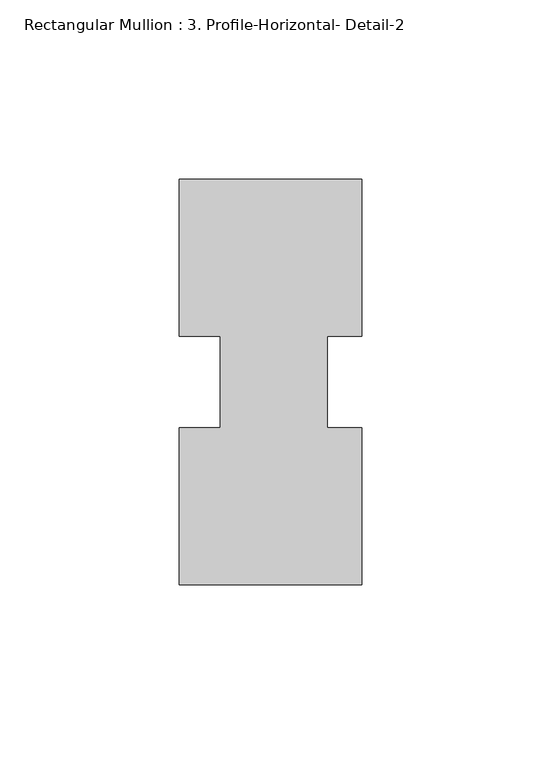
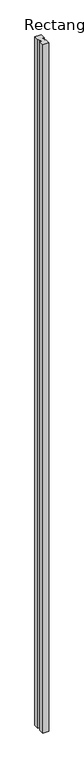
"""IFC4 building model written with IfcOpenShell, lengths in millimetres: member geometry, Rectangular Mullion : 3. Profile-Horizontal- Detail-2."""

from ifc_helpers import new_model, si_unit, frame, origin, place, context, project, spatial, polyline, outline, extrude, source, transform, mapped, element, save


def rectangular_mullion_3_profile_horizontal_detail_2_3d9aba59(model_context):
    return source(origin(), model_context, "Body", "SweptSolid", [
        extrude(outline(polyline([(26.3535083, -10.9775375), (16.8412083, -10.9775375), (16.8412083, -36.4652359), (26.3535083, -36.4652359), (26.3535083, -80.2505697), (-24.4464917, -80.2505698), (-24.4464917, -36.4652359), (-13.0931361, -36.4652359), (-13.0931361, -10.9775375), (-24.4274417, -10.9775375), (-24.4274417, 32.8302302), (26.3535083, 32.8302303), (26.3535083, -10.9775375)])), frame((0.0, 0.0, -6000.75), z_axis=(0.0, 0.0, 1.0), x_axis=(1.0, 0.0, 0.0)), (0.0, 0.0, 1.0), 6000.75),
    ])


if __name__ == "__main__":
    model = new_model("IFC4")
    model_context = context("Model", 3, world=origin())
    ifc_project = project(units=[si_unit("LENGTHUNIT", "METRE", prefix="MILLI")], contexts=[model_context])
    site = spatial("IfcSite", under=ifc_project)
    building = spatial("IfcBuilding", under=site)
    placement = place(None, origin())
    rectangular_mullion_3_profile_horizontal_detail_2_shape = rectangular_mullion_3_profile_horizontal_detail_2_3d9aba59(model_context)
    element("IfcMember", 1, ObjectType="Rectangular Mullion : 3. Profile-Horizontal- Detail-2", at=placement, inside=building, context=model_context, shape_type="MappedRepresentation", body=[
        mapped(rectangular_mullion_3_profile_horizontal_detail_2_shape, transform((0.0, 0.0, 0.0), x_axis=(1.0, 0.0, 0.0), y_axis=(0.0, 1.0, 0.0), z_axis=(0.0, 0.0, 1.0))),
    ])
    save(model, "model.ifc")
